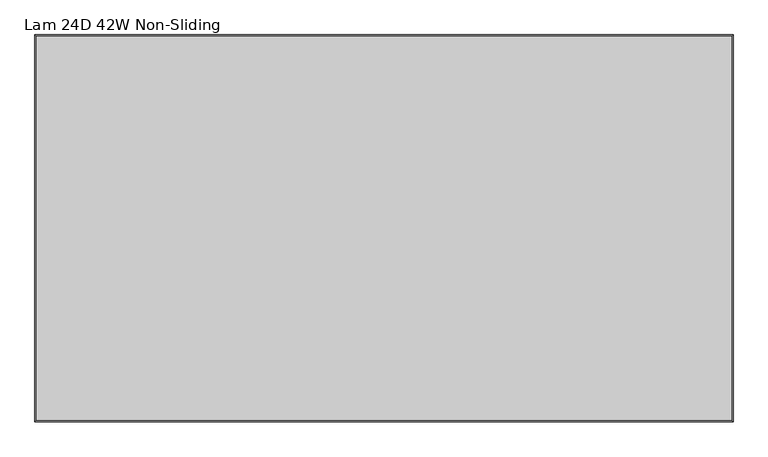
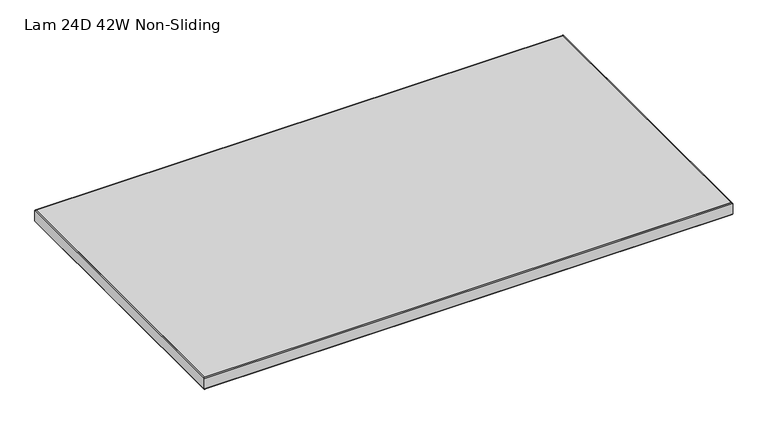
"""IFC4 building model written with IfcOpenShell, lengths in millimetres: furniture geometry, Lam 24D 42W Non-Sliding."""

from ifc_helpers import new_model, si_unit, frame, origin, place, context, project, spatial, polyline, ellipse_curve, outline, extrude, source, transform, mapped, element, save
from ifc_brep_helpers import plane_surface, cylinder_surface, advanced_brep


def lam_24d_42w_non_sliding_0a6b688c(model_context):
    return source(origin(), model_context, "Body", "SolidModel", [
        advanced_brep(
        [(-610.0, 297.0, 723.9), (-610.0, 297.0, 698.5), (450.6758, 297.0, 698.5), (450.6758, 297.0, 723.9), (450.6758, -289.8388, 698.5), (450.6758, -289.8388, 723.9), (-610.0, -289.8388, 698.5), (-610.0, -289.8388, 723.9), (-611.6002, 298.6002, 700.1002), (-611.6002, 298.6002, 722.2998), (452.276, 298.6002, 722.2998), (452.276, 298.6002, 700.1002), (452.276, -291.439, 722.2998), (452.276, -291.439, 700.1002), (-611.6002, -291.439, 722.2998), (-611.6002, -291.439, 700.1002)],
        [
            (0, 1),
            (1, 2),
            (2, 3),
            (3, 0),
            (2, 4),
            (4, 5),
            (5, 3),
            (4, 6),
            (6, 7),
            (7, 5),
            (6, 1),
            (0, 7),
            (8, 9),
            (9, 10),
            (10, 11),
            (11, 8),
            (10, 12),
            (12, 13),
            (13, 11),
            (12, 14),
            (14, 15),
            (15, 13),
            (14, 9),
            (8, 15),
            (9, 0, ellipse_curve(frame((-610.0, 297.0, 722.2998), z_axis=(0.7071067811865475, 0.7071067811865475, 0.0), x_axis=(-0.7071067811865476, 0.7071067811865474, 0.0)), 2.2630245, 1.6002)),
            (3, 10, ellipse_curve(frame((450.6758, 297.0, 722.2998), z_axis=(-0.7071067811865475, 0.7071067811865475, 0.0), x_axis=(-0.7071067811865476, -0.7071067811865474, 0.0)), 2.2630245, 1.6002)),
            (1, 8, ellipse_curve(frame((-610.0, 297.0, 700.1002), z_axis=(0.7071067811865475, 0.7071067811865475, 0.0), x_axis=(-0.7071067811865476, 0.7071067811865474, 0.0)), 2.2630245, 1.6002)),
            (11, 2, ellipse_curve(frame((450.6758, 297.0, 700.1002), z_axis=(-0.7071067811865475, 0.7071067811865475, 0.0), x_axis=(-0.7071067811865476, -0.7071067811865474, 0.0)), 2.2630245, 1.6002)),
            (5, 12, ellipse_curve(frame((450.6758, -289.8388, 722.2998), z_axis=(0.7071067811865475, 0.7071067811865475, 0.0), x_axis=(-0.7071067811865474, 0.7071067811865476, 0.0)), 2.2630245, 1.6002)),
            (13, 4, ellipse_curve(frame((450.6758, -289.8388, 700.1002), z_axis=(0.7071067811865475, 0.7071067811865475, 0.0), x_axis=(-0.7071067811865474, 0.7071067811865476, 0.0)), 2.2630245, 1.6002)),
            (7, 14, ellipse_curve(frame((-610.0, -289.8388, 722.2998), z_axis=(0.7071067811865475, -0.7071067811865475, 0.0), x_axis=(0.7071067811865476, 0.7071067811865474, 0.0)), 2.2630245, 1.6002)),
            (15, 6, ellipse_curve(frame((-610.0, -289.8388, 700.1002), z_axis=(0.7071067811865475, -0.7071067811865475, 0.0), x_axis=(0.7071067811865476, 0.7071067811865474, 0.0)), 2.2630245, 1.6002)),
        ],
        [
            plane_surface(frame((-610.0, 297.0, 698.5), z_axis=(0.0, -1.0, 0.0), x_axis=(1.0, 0.0, 0.0))),
            plane_surface(frame((450.6758, 297.0, 698.5), z_axis=(-1.0, 0.0, 0.0), x_axis=(0.0, -1.0, 0.0))),
            plane_surface(frame((450.6758, -289.8388, 698.5), z_axis=(0.0, 1.0, 0.0), x_axis=(-1.0, 0.0, 0.0))),
            plane_surface(frame((-610.0, -289.8388, 698.5), z_axis=(1.0, 0.0, 0.0), x_axis=(0.0, 1.0, 0.0))),
            plane_surface(frame((-611.6002, 298.6002, 722.2998), z_axis=(0.0, 1.0, 0.0), x_axis=(1.0, 0.0, 0.0))),
            plane_surface(frame((452.276, 298.6002, 722.2998), z_axis=(1.0, 0.0, 0.0), x_axis=(0.0, -1.0, 0.0))),
            plane_surface(frame((452.276, -291.439, 722.2998), z_axis=(0.0, -1.0, 0.0), x_axis=(-1.0, 0.0, 0.0))),
            plane_surface(frame((-611.6002, -291.439, 722.2998), z_axis=(-1.0, 0.0, 0.0), x_axis=(0.0, 1.0, 0.0))),
            cylinder_surface(frame((-610.0, 297.0, 722.2998), z_axis=(-1.0, 0.0, 0.0), x_axis=(0.0, -1.0, 0.0)), 1.6002),
            cylinder_surface(frame((-610.0, 297.0, 700.1002), z_axis=(-1.0, 0.0, 0.0), x_axis=(0.0, -1.0, 0.0)), 1.6002),
            cylinder_surface(frame((450.6758, 297.0, 722.2998), z_axis=(0.0, 1.0, 0.0), x_axis=(-1.0, 0.0, 0.0)), 1.6002),
            cylinder_surface(frame((450.6758, 297.0, 700.1002), z_axis=(0.0, 1.0, 0.0), x_axis=(-1.0, 0.0, 0.0)), 1.6002),
            cylinder_surface(frame((450.6758, -289.8388, 722.2998), z_axis=(1.0, 0.0, 0.0), x_axis=(0.0, 1.0, 0.0)), 1.6002),
            cylinder_surface(frame((450.6758, -289.8388, 700.1002), z_axis=(1.0, 0.0, 0.0), x_axis=(0.0, 1.0, 0.0)), 1.6002),
            cylinder_surface(frame((-610.0, -289.8388, 722.2998), z_axis=(0.0, -1.0, 0.0), x_axis=(1.0, 0.0, 0.0)), 1.6002),
            cylinder_surface(frame((-610.0, -289.8388, 700.1002), z_axis=(0.0, -1.0, 0.0), x_axis=(1.0, 0.0, 0.0)), 1.6002),
        ],
        [
            (0, [[1, 2, 3, 4]]),
            (1, [[-3, 5, 6, 7]]),
            (2, [[-6, 8, 9, 10]]),
            (3, [[-9, 11, -1, 12]]),
            (4, [[13, 14, 15, 16]]),
            (5, [[-15, 17, 18, 19]]),
            (6, [[-18, 20, 21, 22]]),
            (7, [[-21, 23, -13, 24]]),
            (8, [[25, -4, 26, -14]]),
            (9, [[27, -16, 28, -2]]),
            (10, [[-26, -7, 29, -17]]),
            (11, [[-28, -19, 30, -5]]),
            (12, [[-29, -10, 31, -20]]),
            (13, [[-30, -22, 32, -8]]),
            (14, [[-31, -12, -25, -23]]),
            (15, [[-32, -24, -27, -11]]),
        ],
    ),
        extrude(outline(polyline([(450.6758, 297.0), (450.6758, -289.8388), (-610.0, -289.8388), (-610.0, 297.0), (450.6758, 297.0)])), frame((0.0, 0.0, 698.5), z_axis=(0.0, 0.0, 1.0), x_axis=(1.0, 0.0, 0.0)), (0.0, 0.0, 1.0), 25.4),
    ])


if __name__ == "__main__":
    model = new_model("IFC4")
    model_context = context("Model", 3, world=origin())
    ifc_project = project(units=[si_unit("LENGTHUNIT", "METRE", prefix="MILLI")], contexts=[model_context])
    site = spatial("IfcSite", under=ifc_project)
    building = spatial("IfcBuilding", under=site)
    placement = place(None, origin())
    lam_24d_42w_non_sliding_shape = lam_24d_42w_non_sliding_0a6b688c(model_context)
    element("IfcFurniture", 1, ObjectType="Lam 24D 42W Non-Sliding", at=placement, inside=building, context=model_context, shape_type="MappedRepresentation", body=[
        mapped(lam_24d_42w_non_sliding_shape, transform((0.0, 0.0, 0.0), x_axis=(1.0, 0.0, 0.0), y_axis=(0.0, 1.0, 0.0), z_axis=(0.0, 0.0, 1.0))),
    ])
    save(model, "model.ifc")
